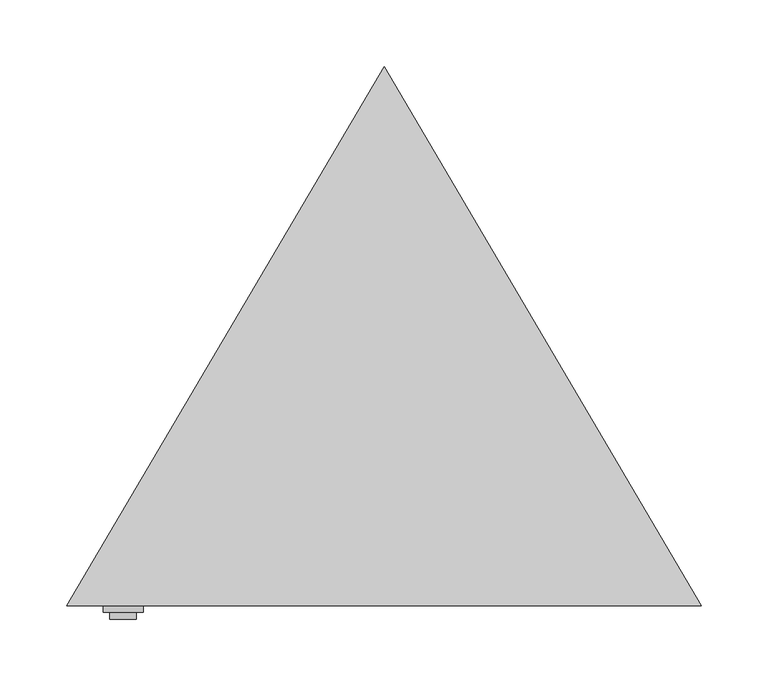
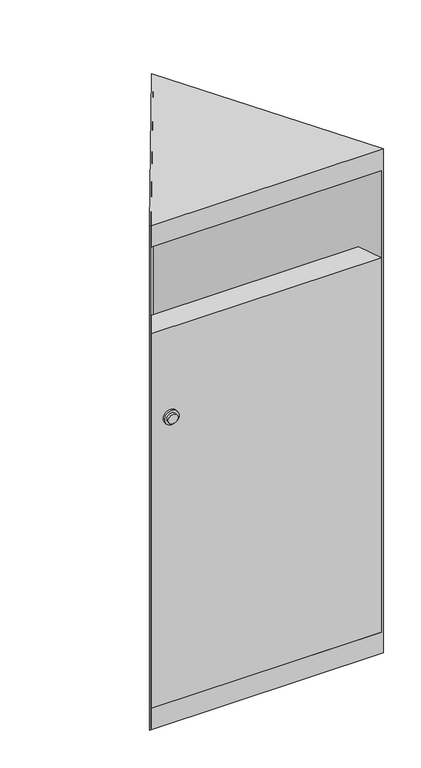
"""IFC4 building model written with IfcOpenShell, lengths in millimetres: furniture geometry."""

import ifcopenshell
import ifcopenshell.guid

model = None  # the IFC model being written
_history = None  # IfcOwnerHistory: only IFC2X3 demands one
_inside = {}  # id of a spatial element -> (the spatial element, [elements in it])
_under = {}  # id of a project, library or spatial element -> (it, [spatial elements below it])
_declared = {}  # id of a project -> (the project, [libraries it declares])
_typed = {}  # id of a type object -> (the type object, [elements of that type])
_made_of = {}  # id of a material, layer set ... -> (it, [elements and type objects made of it])


def new_model(schema):
    """Start an empty IFC model of exactly this schema.

    Asked for "IFC4X3", IfcOpenShell would pick the latest addendum, in which some entities
    have other attributes; the version numbers below select the first issue.
    IFC2X3 requires an IfcOwnerHistory on every rooted entity: one is made here for all.
    """
    global model, _history
    if schema == "IFC4X3":
        model = ifcopenshell.file(schema_version=(4, 3, 0, 0))
    else:
        model = ifcopenshell.file(schema=schema)
    _inside.clear()
    _under.clear()
    _declared.clear()
    _typed.clear()
    _made_of.clear()
    _history = None
    if model.schema == "IFC2X3":
        org = make("IfcOrganization", Name="unknown")
        user = make(
            "IfcPersonAndOrganization",
            ThePerson=make("IfcPerson", FamilyName="unknown"),
            TheOrganization=org,
        )
        app = make(
            "IfcApplication",
            ApplicationDeveloper=org,
            Version="unknown",
            ApplicationFullName="unknown",
            ApplicationIdentifier="unknown",
        )
        _history = make(
            "IfcOwnerHistory",
            OwningUser=user,
            OwningApplication=app,
            ChangeAction="ADDED",
            CreationDate=0,
        )
    return model


def make(cls, **values):
    """One entity of the class cls with the attributes given. An attribute that is None is left unset."""
    return model.create_entity(
        cls, **{name: value for name, value in values.items() if value is not None}
    )


def rooted(cls, **values):
    """An entity with a GlobalId (a new one), such as an element, a storey or a relation."""
    return make(cls, GlobalId=ifcopenshell.guid.new(), OwnerHistory=_history, **values)


def si_unit(unit_type, name, prefix=None):
    """IfcSIUnit, for example si_unit("LENGTHUNIT", "METRE", prefix="MILLI")."""
    return make("IfcSIUnit", UnitType=unit_type, Prefix=prefix, Name=name)


def assignment(units):
    """IfcUnitAssignment: the units of a project."""
    return None if units is None else make("IfcUnitAssignment", Units=units)


def point(xyz):
    """IfcCartesianPoint."""
    return None if xyz is None else make("IfcCartesianPoint", Coordinates=xyz)


def direction(xyz):
    """IfcDirection."""
    return None if xyz is None else make("IfcDirection", DirectionRatios=xyz)


def frame(location, z_axis=None, x_axis=None):
    """IfcAxis2Placement3D, a coordinate frame: its origin and axes. An axis left out is left unset."""
    return make(
        "IfcAxis2Placement3D",
        Location=point(location),
        Axis=direction(z_axis),
        RefDirection=direction(x_axis),
    )


def frame_2d(location, x_axis=None):
    """IfcAxis2Placement2D, a coordinate frame in the plane: its origin and x axis."""
    return make(
        "IfcAxis2Placement2D", Location=point(location), RefDirection=direction(x_axis)
    )


def origin():
    """The frame at (0, 0, 0) with its axes left unset."""
    return frame((0.0, 0.0, 0.0))


def origin_with_axes():
    """The frame at (0, 0, 0) with the z axis (0, 0, 1) and the x axis (1, 0, 0) written out."""
    return frame((0.0, 0.0, 0.0), z_axis=(0.0, 0.0, 1.0), x_axis=(1.0, 0.0, 0.0))


def place(relative_to, where):
    """IfcLocalPlacement: puts the frame where relative to a parent placement (None: the world)."""
    return make(
        "IfcLocalPlacement", PlacementRelTo=relative_to, RelativePlacement=where
    )


def context(
    kind, dimensions, precision=None, world=None, true_north=None, identifier=None
):
    """IfcGeometricRepresentationContext, for example the 3D "Model" context."""
    return make(
        "IfcGeometricRepresentationContext",
        ContextIdentifier=identifier,
        ContextType=kind,
        CoordinateSpaceDimension=dimensions,
        Precision=precision,
        WorldCoordinateSystem=world,
        TrueNorth=true_north,
    )


def project(units=None, contexts=None):
    """IfcProject with its units and contexts."""
    return rooted(
        "IfcProject",
        Name="project",
        RepresentationContexts=contexts,
        UnitsInContext=assignment(units),
    )


def spatial(cls, under=None, at=None, **own):
    """A site, building, storey or space (cls), placed at a placement, below another one or the project."""
    s = rooted(cls, ObjectPlacement=at, **own)
    if under is not None:
        _under.setdefault(under.id(), (under, []))[1].append(s)
    return s


def polyline(points):
    """IfcPolyline through the points."""
    return make("IfcPolyline", Points=[point(p) for p in points])


def circle_curve(where, radius):
    """IfcCircle in the frame where."""
    return make("IfcCircle", Position=where, Radius=radius)


def trimmed(basis, trim1, trim2, sense, master):
    """IfcTrimmedCurve: the piece of a basis curve between two trims."""
    return make(
        "IfcTrimmedCurve",
        BasisCurve=basis,
        Trim1=trim1,
        Trim2=trim2,
        SenseAgreement=sense,
        MasterRepresentation=master,
    )


def segment(curve, same_sense, transition):
    """IfcCompositeCurveSegment."""
    return make(
        "IfcCompositeCurveSegment",
        Transition=transition,
        SameSense=same_sense,
        ParentCurve=curve,
    )


def composite_curve(segments, self_intersect=None):
    """IfcCompositeCurve: segments joined end to end."""
    return make("IfcCompositeCurve", Segments=segments, SelfIntersect=self_intersect)


def outline(outer, holes=None, kind="AREA"):
    """IfcArbitraryClosedProfileDef: a profile drawn as a closed curve; with holes, ...WithVoids."""
    if holes is None:
        return make("IfcArbitraryClosedProfileDef", ProfileType=kind, OuterCurve=outer)
    return make(
        "IfcArbitraryProfileDefWithVoids",
        ProfileType=kind,
        OuterCurve=outer,
        InnerCurves=holes,
    )


def extrude(swept, where, along, depth):
    """IfcExtrudedAreaSolid: the profile swept, set in the frame where, extruded along a direction by depth."""
    return make(
        "IfcExtrudedAreaSolid",
        SweptArea=swept,
        Position=where,
        ExtrudedDirection=direction(along),
        Depth=depth,
    )


def faces_of(points, faces, orient=None, outer=None):
    """IfcFace entities. A face is a list of loops; a loop is a list of indices into points, from 0.

    orient and outer hold one flag for each loop. By default every Orientation is true, the
    first loop of a face is its IfcFaceOuterBound and the others are IfcFaceBound.
    """
    made = []
    for i, loops in enumerate(faces):
        bounds = []
        for j, loop in enumerate(loops):
            is_outer = j == 0 if outer is None else outer[i][j]
            bounds.append(
                make(
                    "IfcFaceOuterBound" if is_outer else "IfcFaceBound",
                    Bound=make("IfcPolyLoop", Polygon=[points[k] for k in loop]),
                    Orientation=True if orient is None else orient[i][j],
                )
            )
        made.append(make("IfcFace", Bounds=bounds))
    return made


def faceted_brep(points, faces, orient=None, outer=None, voids=None):
    """IfcFacetedBrep: a solid bounded by flat faces; with voids (closed shells), ...WithVoids."""
    shared = [point(p) for p in points]
    hull = make("IfcClosedShell", CfsFaces=faces_of(shared, faces, orient, outer))
    if voids is None:
        return make("IfcFacetedBrep", Outer=hull)
    return make(
        "IfcFacetedBrepWithVoids",
        Outer=hull,
        Voids=[
            make(cls, CfsFaces=faces_of(shared, fs, o, b)) for cls, fs, o, b in voids
        ],
    )


def shape(context_of_items, identifier, shape_type, items):
    """IfcShapeRepresentation: the items that make up one representation, for example the "Body"."""
    return make(
        "IfcShapeRepresentation",
        ContextOfItems=context_of_items,
        RepresentationIdentifier=identifier,
        RepresentationType=shape_type,
        Items=items,
    )


def source(mapping_origin, context_of_items, identifier, shape_type, items):
    """IfcRepresentationMap: a shape defined once, which mapped items show again and again."""
    return make(
        "IfcRepresentationMap",
        MappingOrigin=mapping_origin,
        MappedRepresentation=shape(context_of_items, identifier, shape_type, items),
    )


def transform(
    local_origin,
    x_axis=None,
    y_axis=None,
    z_axis=None,
    scale=None,
    scale2=None,
    scale3=None,
    uniform=True,
):
    """IfcCartesianTransformationOperator3D, or its non-uniform kind. x_axis, y_axis, z_axis: its Axis1, 2, 3."""
    if uniform:
        return make(
            "IfcCartesianTransformationOperator3D",
            Axis1=direction(x_axis),
            Axis2=direction(y_axis),
            LocalOrigin=point(local_origin),
            Scale=scale,
            Axis3=direction(z_axis),
        )
    return make(
        "IfcCartesianTransformationOperator3DnonUniform",
        Axis1=direction(x_axis),
        Axis2=direction(y_axis),
        LocalOrigin=point(local_origin),
        Scale=scale,
        Axis3=direction(z_axis),
        Scale2=scale2,
        Scale3=scale3,
    )


def mapped(mapping_source, mapping_target):
    """IfcMappedItem: shows the shape of a source again, moved by a transform."""
    return make(
        "IfcMappedItem", MappingSource=mapping_source, MappingTarget=mapping_target
    )


def made_of(thing, what):
    """Note that an element or type object is made of a material, layer set ...; save() writes the relation."""
    if what is not None:
        _made_of.setdefault(what.id(), (what, []))[1].append(thing)
    return thing


def element(
    cls,
    number,
    at=None,
    inside=None,
    cuts=None,
    type_object=None,
    material=None,
    context=None,
    identifier="Body",
    shape_type=None,
    held_by="IfcProductDefinitionShape",
    body=None,
    shapes=None,
    **own,
):
    """One element of the class cls, such as IfcWall. Its Tag is "e" and its number.

    at: its placement. inside: the storey or other place that contains it. cuts: it is an
    opening in that element (IfcRelVoidsElement). A single representation is given by context,
    identifier, shape_type and body (its items); several are given by shapes. held_by: the class
    of the entity that holds the representations. save() writes the other relations.
    """
    e = rooted(cls, Tag="e%d" % number, ObjectPlacement=at, **own)
    if body is not None:
        shapes = [shape(context, identifier, shape_type, body)]
    if shapes is not None:
        e.Representation = make(held_by, Representations=shapes)
    if inside is not None:
        _inside.setdefault(inside.id(), (inside, []))[1].append(e)
    if cuts is not None:
        rooted(
            "IfcRelVoidsElement", RelatingBuildingElement=cuts, RelatedOpeningElement=e
        )
    if type_object is not None:
        _typed.setdefault(type_object.id(), (type_object, []))[1].append(e)
    return made_of(e, material)


def aggregate(whole, parts):
    """IfcRelAggregates: a whole, such as a stair, and the parts it consists of."""
    return rooted("IfcRelAggregates", RelatingObject=whole, RelatedObjects=parts)


def save(model, path):
    """Write the relations noted so far, then the file.

    IfcRelAggregates (storeys below a building ...), IfcRelContainedInSpatialStructure (elements
    in a storey), IfcRelDefinesByType, IfcRelAssociatesMaterial and IfcRelDeclares: one each for
    every whole, place, type object, material and project.
    """
    for whole, parts in _under.values():
        aggregate(whole, parts)
    for where, things in _inside.values():
        rooted(
            "IfcRelContainedInSpatialStructure",
            RelatedElements=things,
            RelatingStructure=where,
        )
    for kind, things in _typed.values():
        rooted("IfcRelDefinesByType", RelatedObjects=things, RelatingType=kind)
    for what, things in _made_of.values():
        rooted("IfcRelAssociatesMaterial", RelatedObjects=things, RelatingMaterial=what)
    for by, libraries in _declared.values():
        rooted("IfcRelDeclares", RelatingContext=by, RelatedDefinitions=libraries)
    model.write(path)


def furniture_cf0d854e(model_context):
    return source(origin(), model_context, "Body", "SolidModel", [
        faceted_brep([(-210.96711, -69.1590189, 860.2476467), (-210.6603248, -68.6380744, 857.2932235), (-233.2517359, -107.0, 850.5289809), (-233.2517359, -107.0, 46.0), (-235.0184416, -110.0, 46.0), (-235.0184416, -110.0, 853.0462798), (210.6603248, -68.6380744, 857.2932235), (210.96711, -69.1590189, 860.2476467), (235.0184416, -110.0, 853.0462798), (235.0184416, -110.0, 46.0), (233.2517359, -107.0, 46.0), (233.2517359, -107.0, 850.5289809)], [[[0, 1, 2, 3, 4, 5]], [[6, 7, 8, 9, 10, 11]], [[6, 1, 0, 7]], [[7, 0, 5, 8]], [[9, 8, 5, 4]], [[3, 2, 11, 10]], [[1, 6, 11, 2]], [[3, 10, 9, 4]]]),
        faceted_brep([(238.5, -110.0, 1086.0), (0.0, 294.9910493, 1086.0), (-238.5, -110.0, 1086.0), (233.2517359, -107.0, 1083.0), (-233.2517359, -107.0, 1083.0), (0.0, 289.0790996, 1083.0), (-233.2517359, -107.0, 1040.0), (233.2517359, -107.0, 1040.0), (235.0184416, -110.0, 1040.0), (-235.0184416, -110.0, 1040.0), (238.5, -110.0, 0.0), (-238.5, -110.0, 0.0), (235.0184416, -110.0, 46.0), (-235.0184416, -110.0, 46.0), (0.0, 294.9910493, 0.0), (0.0, 289.0790996, 0.0), (-233.2517359, -107.0, 0.0), (233.2517359, -107.0, 0.0), (-233.2517359, -107.0, 46.0), (233.2517359, -107.0, 46.0)], [[[0, 1, 2]], [[3, 4, 5]], [[6, 7, 8, 9]], [[10, 0, 2, 11], [9, 8, 12, 13]], [[7, 6, 4, 3]], [[10, 11, 14], [15, 16, 17]], [[15, 5, 4, 6, 9, 13, 18, 16]], [[5, 15, 17, 19, 12, 8, 7, 3]], [[1, 0, 10, 14]], [[2, 1, 14, 11]], [[19, 18, 13, 12]], [[18, 19, 17, 16]]]),
        extrude(outline(polyline([(0.0, 289.0790996), (233.2517359, -107.0), (-233.2517359, -107.0), (0.0, 289.0790996)])), origin_with_axes(), (0.0, 0.0, 1.0), 3.0),
        extrude(outline(composite_curve([segment(trimmed(circle_curve(frame_2d((662.0, -196.0)), 10.0), [point((662.0, -186.0))], [point((662.0, -206.0))], False, "CARTESIAN"), True, "CONTINUOUS"), segment(trimmed(circle_curve(frame_2d((662.0, -196.0)), 10.0), [point((662.0, -206.0))], [point((662.0, -186.0))], False, "CARTESIAN"), True, "CONTINUOUS")], self_intersect=False)), frame((0.0, -120.0, 0.0), z_axis=(0.0, 1.0, 0.0), x_axis=(0.0, 0.0, 1.0)), (0.0, 0.0, 1.0), 5.0),
        extrude(outline(composite_curve([segment(trimmed(circle_curve(frame_2d((662.0, -196.0)), 15.0), [point((662.0, -211.0))], [point((662.0, -181.0))], False, "CARTESIAN"), True, "CONTINUOUS"), segment(trimmed(circle_curve(frame_2d((662.0, -196.0)), 15.0), [point((662.0, -181.0))], [point((662.0, -211.0))], False, "CARTESIAN"), True, "CONTINUOUS")], self_intersect=False)), frame((0.0, -115.0, 0.0), z_axis=(0.0, 1.0, 0.0), x_axis=(0.0, 0.0, 1.0)), (0.0, 0.0, 1.0), 5.0),
    ])


if __name__ == "__main__":
    model = new_model("IFC4")
    model_context = context("Model", 3, world=origin())
    ifc_project = project(units=[si_unit("LENGTHUNIT", "METRE", prefix="MILLI")], contexts=[model_context])
    site = spatial("IfcSite", under=ifc_project)
    building = spatial("IfcBuilding", under=site)
    placement = place(None, origin())
    furniture_shape = furniture_cf0d854e(model_context)
    element("IfcFurniture", 1, at=placement, inside=building, context=model_context, shape_type="MappedRepresentation", body=[
        mapped(furniture_shape, transform((0.0, 0.0, 0.0), x_axis=(1.0, 0.0, 0.0), y_axis=(0.0, 1.0, 0.0), z_axis=(0.0, 0.0, 1.0))),
    ])
    save(model, "model.ifc")
